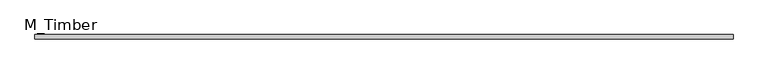
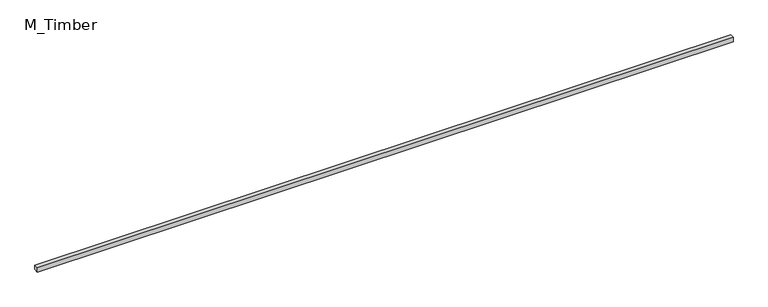
"""IFC4 building model written with IfcOpenShell, lengths in millimetres: beam geometry, M_Timber."""

from ifc_helpers import new_model, si_unit, frame, origin, place, context, project, spatial, polyline, outline, extrude, source, transform, mapped, element, save


def m_timber_a650f07f(model_context):
    return source(origin(), model_context, "Body", "SweptSolid", [
        extrude(outline(polyline([(3118.3827125, 20.0), (3118.3827125, -20.0), (-3118.3827125, -20.0), (-3118.3827125, 20.0), (3118.3827125, 20.0)])), frame((0.0, 0.0, -20.0), z_axis=(0.0, 0.0, 1.0), x_axis=(1.0, 0.0, 0.0)), (0.0, 0.0, 1.0), 40.0),
    ])


if __name__ == "__main__":
    model = new_model("IFC4")
    model_context = context("Model", 3, world=origin())
    ifc_project = project(units=[si_unit("LENGTHUNIT", "METRE", prefix="MILLI")], contexts=[model_context])
    site = spatial("IfcSite", under=ifc_project)
    building = spatial("IfcBuilding", under=site)
    placement = place(None, origin())
    m_timber_shape = m_timber_a650f07f(model_context)
    element("IfcBeam", 1, ObjectType="M_Timber", at=placement, inside=building, context=model_context, shape_type="MappedRepresentation", body=[
        mapped(m_timber_shape, transform((0.0, 0.0, 0.0), x_axis=(1.0, 0.0, 0.0), y_axis=(0.0, 1.0, 0.0), z_axis=(0.0, 0.0, 1.0))),
    ])
    save(model, "model.ifc")
